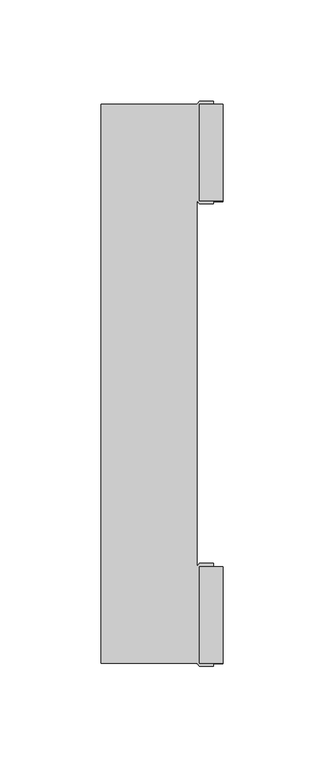
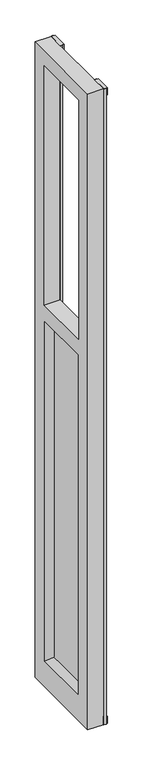
"""IFC4 building model written with IfcOpenShell, lengths in millimetres: furniture geometry."""

from ifc_helpers import new_model, si_unit, frame, origin, place, context, project, spatial, polyline, circle_curve, outline, extrude, faceted_brep, source, transform, mapped, element, save
from ifc_brep_helpers import plane_surface, cylinder_surface, advanced_brep


def furniture_8c816d39(model_context):
    return source(origin(), model_context, "Body", "SolidModel", [
        extrude(outline(polyline([(2041.525, 253.2729164), (2014.5375, 253.2729164), (2014.5375, 256.9271743), (2019.3, 264.8646748), (2041.525, 264.8646748), (2041.525, 253.2729164)])), frame((0.0, -1923.4227911, 0.0), z_axis=(0.0, 1.0, 0.0), x_axis=(0.0, 0.0, 1.0)), (0.0, 0.0, 1.0), 47.7268886),
        extrude(outline(polyline([(2041.525, 253.2729164), (2014.5375, 253.2729164), (2014.5375, 256.9271743), (2019.3, 264.8646748), (2041.525, 264.8646748), (2041.525, 253.2729164)])), frame((0.0, -1694.9246858, 0.0), z_axis=(0.0, 1.0, 0.0), x_axis=(0.0, 0.0, 1.0)), (0.0, 0.0, 1.0), 47.7268886),
        extrude(outline(polyline([(36.5124985, 252.1646741), (9.525, 252.1646741), (9.525, 264.8646748), (31.7500003, 264.8646748), (36.5124985, 256.9271743), (36.5124985, 252.1646741)])), frame((0.0, -1694.9246858, 0.0), z_axis=(0.0, 1.0, 0.0), x_axis=(0.0, 0.0, 1.0)), (0.0, 0.0, 1.0), 47.7268886),
        extrude(outline(polyline([(36.5124985, 252.1646741), (9.525, 252.1646741), (9.525, 264.8646748), (31.7500003, 264.8646748), (36.5124985, 256.9271743), (36.5124985, 252.1646741)])), frame((0.0, -1923.4227911, 0.0), z_axis=(0.0, 1.0, 0.0), x_axis=(0.0, 0.0, 1.0)), (0.0, 0.0, 1.0), 47.7268886),
        faceted_brep([(204.5326532, -1923.4227911, 2041.525), (204.5326532, -1647.1977972, 2041.525), (204.5326532, -1647.1977972, 9.525), (204.5326532, -1923.4227911, 9.525), (204.5326532, -1872.1398998, 1177.5439671), (204.5326532, -1872.1398998, 92.4560084), (204.5326532, -1698.2769112, 92.4560084), (204.5326532, -1698.2769112, 1177.5439671), (204.5326532, -1694.9246858, 1993.9043361), (204.5326532, -1875.6959025, 1993.9043361), (204.5326532, -1875.6959025, 1228.725), (204.5326532, -1694.9246858, 1228.725), (252.1646741, -1647.1977972, 2041.525), (252.1646741, -1647.1977972, 1228.725), (252.1646741, -1647.1977972, 41.2749755), (252.1646741, -1647.1977972, 9.525), (260.1056252, -1924.9084025, 9.525), (253.2729164, -1924.9084025, 9.525), (252.1646741, -1923.4227911, 9.525), (253.2729164, -1645.6102972, 9.525), (260.1056252, -1645.6102972, 9.525), (260.1056252, -1647.1977972, 9.525), (253.2729164, -1647.1977972, 9.525), (253.2729164, -1694.9246858, 9.525), (260.1056252, -1694.9246858, 9.525), (260.1056252, -1696.4102972, 9.525), (253.2729164, -1696.4102972, 9.525), (252.1646741, -1694.9246858, 9.525), (252.1646741, -1875.6959025, 9.525), (253.2729164, -1874.1084025, 9.525), (260.1056252, -1874.1084025, 9.525), (260.1056252, -1875.6959025, 9.525), (253.2729164, -1875.6959025, 9.525), (253.2729164, -1923.4227911, 9.525), (260.1056252, -1923.4227911, 9.525), (252.1646741, -1923.4227911, 2041.525), (252.1646741, -1923.4227911, 41.2749755), (252.1646741, -1923.4227911, 1228.725), (225.170129, -1859.4653101, 1164.8693773), (225.170129, -1859.4653101, 105.1305981), (225.170129, -1710.9515009, 105.1305981), (225.170129, -1710.9515009, 1164.8693773), (260.1056252, -1924.9084025, 2041.525), (253.2729164, -1924.9084025, 2041.525), (253.2729164, -1645.6102972, 2041.525), (260.1056252, -1645.6102972, 2041.525), (260.1056252, -1647.1977972, 2041.525), (253.2729164, -1647.1977972, 2041.525), (253.2729164, -1694.9246858, 2041.525), (260.1056252, -1694.9246858, 2041.525), (260.1056252, -1696.4102972, 2041.525), (253.2729164, -1696.4102972, 2041.525), (252.1646741, -1694.9246858, 2041.525), (252.1646741, -1694.9246858, 1993.9043361), (252.1646741, -1694.9246858, 1228.725), (252.1646741, -1875.6959025, 1228.725), (252.1646741, -1872.1442117, 92.4516966), (252.1646741, -1872.1442117, 1177.5482789), (252.1646741, -1698.2725993, 1177.5482789), (252.1646741, -1698.2725993, 92.4516966), (252.1646741, -1875.6959025, 2041.525), (253.2729164, -1874.1084025, 2041.525), (252.1646741, -1875.6959025, 1993.9043361), (260.1056252, -1874.1084025, 2041.525), (260.1056252, -1875.6959025, 2041.525), (253.2729164, -1875.6959025, 2041.525), (253.2729164, -1923.4227911, 2041.525), (260.1056252, -1923.4227911, 2041.525), (231.5201411, -1859.4653101, 1164.8693773), (231.5201411, -1710.9515009, 1164.8693773), (231.5201411, -1859.4653101, 105.1305981), (231.5201411, -1710.9515009, 105.1305981)], [[[0, 1, 2, 3], [4, 5, 6, 7], [8, 9, 10, 11]], [[1, 12, 13, 14, 15, 2]], [[16, 17, 18, 3, 2, 15, 19, 20, 21, 22, 23, 24, 25, 26, 27, 28, 29, 30, 31, 32, 33, 34]], [[35, 0, 3, 18, 36, 37]], [[4, 38, 39, 5]], [[5, 39, 40, 6]], [[6, 40, 41, 7]], [[38, 4, 7, 41]], [[42, 43, 17, 16]], [[43, 35, 37, 36, 18, 17]], [[12, 44, 19, 15, 14, 13]], [[44, 45, 20, 19]], [[45, 46, 21, 20]], [[46, 47, 22, 21]], [[47, 48, 23, 22]], [[48, 49, 24, 23]], [[49, 50, 25, 24]], [[50, 51, 26, 25]], [[51, 52, 53, 54, 27, 26]], [[54, 55, 28, 27], [56, 57, 58, 59]], [[60, 61, 29, 28, 55, 62]], [[61, 63, 30, 29]], [[63, 64, 31, 30]], [[64, 65, 32, 31]], [[65, 66, 33, 32]], [[66, 67, 34, 33]], [[67, 42, 16, 34]], [[57, 68, 69, 58]], [[68, 57, 56, 70]], [[70, 56, 59, 71]], [[68, 70, 71, 69]], [[39, 38, 41, 40]], [[71, 59, 58, 69]], [[52, 60, 62, 53]], [[53, 62, 9, 8]], [[60, 52, 51, 50, 49, 48, 47, 46, 45, 44, 12, 1, 0, 35, 43, 42, 67, 66, 65, 64, 63, 61]], [[9, 62, 55, 10]], [[53, 8, 11, 54]], [[11, 10, 55, 54]]]),
        extrude(outline(polyline([(264.8646748, -1883.6334029), (264.8646748, -1915.3834035), (256.9271743, -1920.145904), (252.1646741, -1920.145904), (252.1646741, -1878.8709025), (256.9271743, -1878.8709025), (264.8646748, -1883.6334029)])), frame((0.0, 0.0, 31.7500003), z_axis=(0.0, 0.0, 1.0), x_axis=(1.0, 0.0, 0.0)), (0.0, 0.0, 1.0), 1987.5499997),
        extrude(outline(polyline([(264.8646748, -1686.7834085), (256.7573573, -1691.6477992), (252.1646741, -1691.6477992), (252.1646741, -1650.3727977), (257.0969912, -1650.3727977), (264.8646748, -1655.0334079), (264.8646748, -1686.7834085)])), frame((0.0, 0.0, 31.7500003), z_axis=(0.0, 0.0, 1.0), x_axis=(1.0, 0.0, 0.0)), (0.0, 0.0, 1.0), 1987.5499997),
        advanced_brep(
        [(228.3451351, -1844.2850999, 31.7500003), (228.3451351, -1856.9850999, 31.7500003), (228.3451351, -1850.6350999, 31.7500003), (228.3451351, -1844.2850999, 4.7625), (228.3451351, -1856.9850999, 4.7625), (228.3451351, -1837.9350999, 4.7625), (228.3451351, -1863.3350999, 4.7625), (228.3451351, -1837.9350999, 0.0), (228.3451351, -1863.3350999, 0.0), (228.3451351, -1850.6350999, 0.0)],
        [
            (0, 1, circle_curve(frame((228.3451351, -1850.6350999, 31.7500003), z_axis=(0.0, 0.0, 1.0), x_axis=(0.0, -1.0, 0.0)), 6.35)),
            (1, 2),
            (2, 0),
            (1, 0, circle_curve(frame((228.3451351, -1850.6350999, 31.7500003), z_axis=(0.0, 0.0, 1.0), x_axis=(0.0, -1.0, 0.0)), 6.35)),
            (3, 4, circle_curve(frame((228.3451351, -1850.6350999, 4.7625), z_axis=(0.0, 0.0, 1.0), x_axis=(0.0, -1.0, 0.0)), 6.35)),
            (4, 1),
            (0, 3),
            (4, 3, circle_curve(frame((228.3451351, -1850.6350999, 4.7625), z_axis=(0.0, 0.0, 1.0), x_axis=(0.0, -1.0, 0.0)), 6.35)),
            (5, 6, circle_curve(frame((228.3451351, -1850.6350999, 4.7625), z_axis=(0.0, 0.0, 1.0), x_axis=(0.0, -1.0, 0.0)), 12.7)),
            (6, 4),
            (3, 5),
            (6, 5, circle_curve(frame((228.3451351, -1850.6350999, 4.7625), z_axis=(0.0, 0.0, 1.0), x_axis=(0.0, -1.0, 0.0)), 12.7)),
            (7, 8, circle_curve(frame((228.3451351, -1850.6350999, 0.0), z_axis=(0.0, 0.0, 1.0), x_axis=(0.0, -1.0, 0.0)), 12.7)),
            (8, 6),
            (5, 7),
            (8, 7, circle_curve(frame((228.3451351, -1850.6350999, 0.0), z_axis=(0.0, 0.0, 1.0), x_axis=(0.0, -1.0, 0.0)), 12.7)),
            (9, 8),
            (7, 9),
        ],
        [
            plane_surface(frame((228.3451351, -1850.6350999, 31.7500003), z_axis=(0.0, 0.0, 1.0), x_axis=(0.0, -1.0, 0.0))),
            cylinder_surface(frame((228.3451351, -1850.6350999, 119.5096682), z_axis=(0.0, 0.0, -1.0), x_axis=(0.0, -1.0, 0.0)), 6.35),
            plane_surface(frame((228.3451351, -1850.6350999, 4.7625), z_axis=(0.0, 0.0, 1.0), x_axis=(0.0, -1.0, 0.0))),
            cylinder_surface(frame((228.3451351, -1850.6350999, 119.5096682), z_axis=(0.0, 0.0, -1.0), x_axis=(0.0, -1.0, 0.0)), 12.7),
            plane_surface(frame((228.3451351, -1850.6350999, 0.0), z_axis=(0.0, 0.0, -1.0), x_axis=(0.0, -1.0, 0.0))),
        ],
        [
            (0, [[1, 2, 3]]),
            (0, [[4, -3, -2]]),
            (1, [[5, 6, -1, 7]]),
            (1, [[8, -7, -4, -6]]),
            (2, [[9, 10, -5, 11]]),
            (2, [[12, -11, -8, -10]]),
            (3, [[13, 14, -9, 15]]),
            (3, [[16, -15, -12, -14]]),
            (4, [[17, -13, 18]]),
            (4, [[-18, -16, -17]]),
        ],
    ),
        advanced_brep(
        [(228.3451351, -1720.1591958, 0.0), (228.3451351, -1732.8591958, 0.0), (228.3451351, -1707.4591958, 0.0), (228.3451351, -1713.8091958, 31.7500003), (228.3451351, -1726.5091958, 31.7500003), (228.3451351, -1720.1591958, 31.7500003), (228.3451351, -1713.8091958, 4.7625), (228.3451351, -1726.5091958, 4.7625), (228.3451351, -1707.4591958, 4.7625), (228.3451351, -1732.8591958, 4.7625)],
        [
            (0, 1),
            (1, 2, circle_curve(frame((228.3451351, -1720.1591958, 0.0), z_axis=(0.0, 0.0, -1.0), x_axis=(0.0, -1.0, 0.0)), 12.7)),
            (2, 0),
            (2, 1, circle_curve(frame((228.3451351, -1720.1591958, 0.0), z_axis=(0.0, 0.0, -1.0), x_axis=(0.0, -1.0, 0.0)), 12.7)),
            (3, 4, circle_curve(frame((228.3451351, -1720.1591958, 31.7500003), z_axis=(0.0, 0.0, 1.0), x_axis=(0.0, -1.0, 0.0)), 6.35)),
            (4, 5),
            (5, 3),
            (4, 3, circle_curve(frame((228.3451351, -1720.1591958, 31.7500003), z_axis=(0.0, 0.0, 1.0), x_axis=(0.0, -1.0, 0.0)), 6.35)),
            (6, 7, circle_curve(frame((228.3451351, -1720.1591958, 4.7625), z_axis=(0.0, 0.0, 1.0), x_axis=(0.0, -1.0, 0.0)), 6.35)),
            (7, 4),
            (3, 6),
            (7, 6, circle_curve(frame((228.3451351, -1720.1591958, 4.7625), z_axis=(0.0, 0.0, 1.0), x_axis=(0.0, -1.0, 0.0)), 6.35)),
            (8, 9, circle_curve(frame((228.3451351, -1720.1591958, 4.7625), z_axis=(0.0, 0.0, 1.0), x_axis=(0.0, -1.0, 0.0)), 12.7)),
            (9, 7),
            (6, 8),
            (9, 8, circle_curve(frame((228.3451351, -1720.1591958, 4.7625), z_axis=(0.0, 0.0, 1.0), x_axis=(0.0, -1.0, 0.0)), 12.7)),
            (1, 9),
            (8, 2),
        ],
        [
            plane_surface(frame((228.3451351, -1720.1591958, 0.0), z_axis=(0.0, 0.0, -1.0), x_axis=(0.0, -1.0, 0.0))),
            plane_surface(frame((228.3451351, -1720.1591958, 31.7500003), z_axis=(0.0, 0.0, 1.0), x_axis=(0.0, -1.0, 0.0))),
            cylinder_surface(frame((228.3451351, -1720.1591958, 128.4525152), z_axis=(0.0, 0.0, -1.0), x_axis=(0.0, -1.0, 0.0)), 6.35),
            plane_surface(frame((228.3451351, -1720.1591958, 4.7625), z_axis=(0.0, 0.0, 1.0), x_axis=(0.0, -1.0, 0.0))),
            cylinder_surface(frame((228.3451351, -1720.1591958, 128.4525152), z_axis=(0.0, 0.0, -1.0), x_axis=(0.0, -1.0, 0.0)), 12.7),
        ],
        [
            (0, [[1, 2, 3]]),
            (0, [[-3, 4, -1]]),
            (1, [[5, 6, 7]]),
            (1, [[8, -7, -6]]),
            (2, [[9, 10, -5, 11]]),
            (2, [[12, -11, -8, -10]]),
            (3, [[13, 14, -9, 15]]),
            (3, [[16, -15, -12, -14]]),
            (4, [[-2, 17, -13, 18]]),
            (4, [[-4, -18, -16, -17]]),
        ],
    ),
    ])


if __name__ == "__main__":
    model = new_model("IFC4")
    model_context = context("Model", 3, world=origin())
    ifc_project = project(units=[si_unit("LENGTHUNIT", "METRE", prefix="MILLI")], contexts=[model_context])
    site = spatial("IfcSite", under=ifc_project)
    building = spatial("IfcBuilding", under=site)
    placement = place(None, origin())
    furniture_shape = furniture_8c816d39(model_context)
    element("IfcFurniture", 1, at=placement, inside=building, context=model_context, shape_type="MappedRepresentation", body=[
        mapped(furniture_shape, transform((0.0, 0.0, 0.0), x_axis=(1.0, 0.0, 0.0), y_axis=(0.0, 1.0, 0.0), z_axis=(0.0, 0.0, 1.0))),
    ])
    save(model, "model.ifc")
